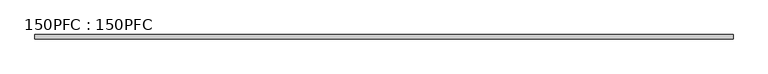
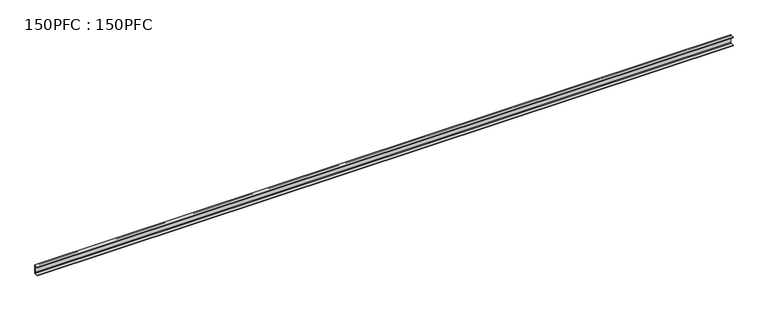
"""IFC4 building model written with IfcOpenShell, lengths in millimetres: beam geometry, 150PFC : 150PFC."""

from ifc_helpers import new_model, si_unit, point, frame, frame_2d, origin, place, context, project, spatial, polyline, circle_curve, trimmed, segment, composite_curve, outline, extrude, source, transform, mapped, element, save


def beam_150pfc_150pfc_7ffb82bf(model_context):
    return source(origin(), model_context, "Body", "SweptSolid", [
        extrude(outline(composite_curve([segment(polyline([(21.6471313, 65.0), (-37.3528687, 65.0), (-37.3528687, 74.5), (37.6471313, 74.5), (37.6471313, -75.5), (-37.3528687, -75.5), (-37.3528687, -66.0), (21.6471313, -66.0)]), True, "CONTINUOUS"), segment(trimmed(circle_curve(frame_2d((21.6471313, -56.0)), 10.0), [point((21.6471313, -66.0))], [point((31.6471313, -56.0))], True, "CARTESIAN"), True, "CONTINUOUS"), segment(polyline([(31.6471313, -56.0), (31.6471313, 55.0)]), True, "CONTINUOUS"), segment(trimmed(circle_curve(frame_2d((21.6471313, 55.0)), 10.0), [point((31.6471313, 55.0))], [point((21.6471313, 65.0))], True, "CARTESIAN"), True, "CONTINUOUS")], self_intersect=False)), frame((-5917.2264344, 0.0, 0.0), z_axis=(1.0, 0.0, 0.0), x_axis=(0.0, 1.0, 0.0)), (0.0, 0.0, 1.0), 11861.9528687),
    ])


if __name__ == "__main__":
    model = new_model("IFC4")
    model_context = context("Model", 3, world=origin())
    ifc_project = project(units=[si_unit("LENGTHUNIT", "METRE", prefix="MILLI")], contexts=[model_context])
    site = spatial("IfcSite", under=ifc_project)
    building = spatial("IfcBuilding", under=site)
    placement = place(None, origin())
    beam_150pfc_150pfc_shape = beam_150pfc_150pfc_7ffb82bf(model_context)
    element("IfcBeam", 1, ObjectType="150PFC : 150PFC", at=placement, inside=building, context=model_context, shape_type="MappedRepresentation", body=[
        mapped(beam_150pfc_150pfc_shape, transform((0.0, 0.0, 0.0), x_axis=(1.0, 0.0, 0.0), y_axis=(0.0, 1.0, 0.0), z_axis=(0.0, 0.0, 1.0))),
    ])
    save(model, "model.ifc")
